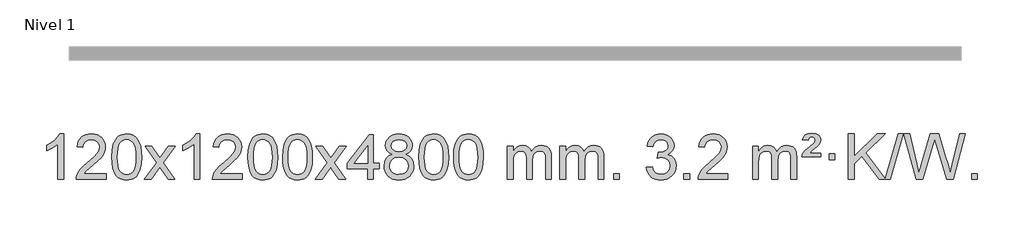
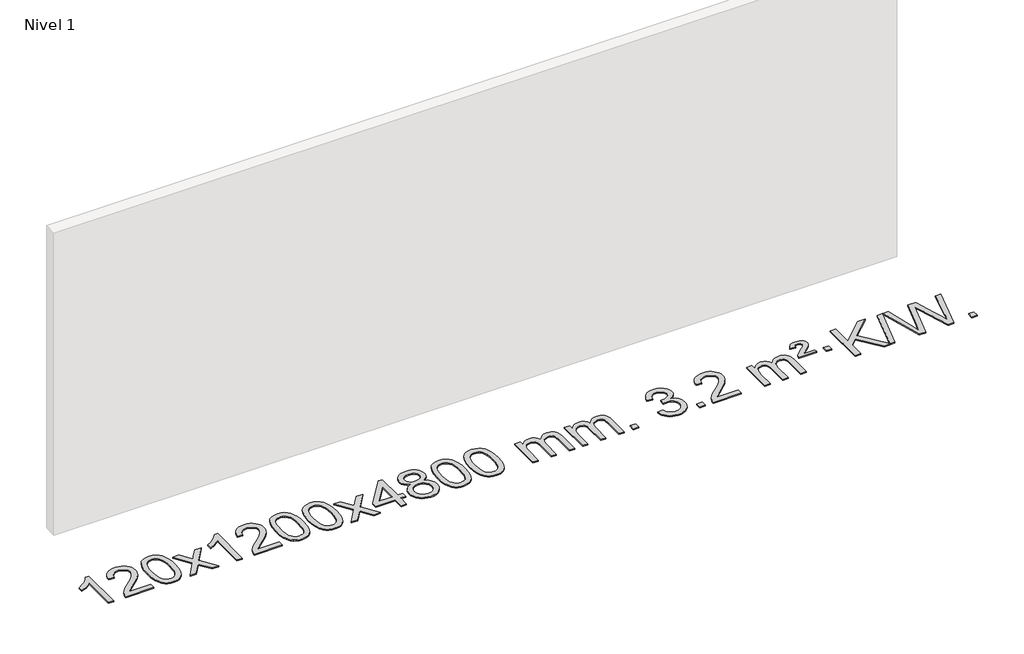
# One storey, part 5 of 8: 1 proxy.
"""IFC4 building model written with IfcOpenShell, lengths in millimetres."""

import ifcopenshell
import ifcopenshell.guid

model = None  # the IFC model being written
_history = None  # IfcOwnerHistory: only IFC2X3 demands one
_inside = {}  # id of a spatial element -> (the spatial element, [elements in it])
_under = {}  # id of a project, library or spatial element -> (it, [spatial elements below it])
_declared = {}  # id of a project -> (the project, [libraries it declares])
_typed = {}  # id of a type object -> (the type object, [elements of that type])
_made_of = {}  # id of a material, layer set ... -> (it, [elements and type objects made of it])


def new_model(schema):
    """Start an empty IFC model of exactly this schema.

    Asked for "IFC4X3", IfcOpenShell would pick the latest addendum, in which some entities
    have other attributes; the version numbers below select the first issue.
    IFC2X3 requires an IfcOwnerHistory on every rooted entity: one is made here for all.
    """
    global model, _history
    if schema == "IFC4X3":
        model = ifcopenshell.file(schema_version=(4, 3, 0, 0))
    else:
        model = ifcopenshell.file(schema=schema)
    _inside.clear()
    _under.clear()
    _declared.clear()
    _typed.clear()
    _made_of.clear()
    _history = None
    if model.schema == "IFC2X3":
        org = make("IfcOrganization", Name="unknown")
        user = make(
            "IfcPersonAndOrganization",
            ThePerson=make("IfcPerson", FamilyName="unknown"),
            TheOrganization=org,
        )
        app = make(
            "IfcApplication",
            ApplicationDeveloper=org,
            Version="unknown",
            ApplicationFullName="unknown",
            ApplicationIdentifier="unknown",
        )
        _history = make(
            "IfcOwnerHistory",
            OwningUser=user,
            OwningApplication=app,
            ChangeAction="ADDED",
            CreationDate=0,
        )
    return model


def make(cls, **values):
    """One entity of the class cls with the attributes given. An attribute that is None is left unset."""
    return model.create_entity(
        cls, **{name: value for name, value in values.items() if value is not None}
    )


def rooted(cls, **values):
    """An entity with a GlobalId (a new one), such as an element, a storey or a relation."""
    return make(cls, GlobalId=ifcopenshell.guid.new(), OwnerHistory=_history, **values)


def si_unit(unit_type, name, prefix=None):
    """IfcSIUnit, for example si_unit("LENGTHUNIT", "METRE", prefix="MILLI")."""
    return make("IfcSIUnit", UnitType=unit_type, Prefix=prefix, Name=name)


def assignment(units):
    """IfcUnitAssignment: the units of a project."""
    return None if units is None else make("IfcUnitAssignment", Units=units)


def point(xyz):
    """IfcCartesianPoint."""
    return None if xyz is None else make("IfcCartesianPoint", Coordinates=xyz)


def direction(xyz):
    """IfcDirection."""
    return None if xyz is None else make("IfcDirection", DirectionRatios=xyz)


def frame(location, z_axis=None, x_axis=None):
    """IfcAxis2Placement3D, a coordinate frame: its origin and axes. An axis left out is left unset."""
    return make(
        "IfcAxis2Placement3D",
        Location=point(location),
        Axis=direction(z_axis),
        RefDirection=direction(x_axis),
    )


def origin():
    """The frame at (0, 0, 0) with its axes left unset."""
    return frame((0.0, 0.0, 0.0))


def origin_with_axes():
    """The frame at (0, 0, 0) with the z axis (0, 0, 1) and the x axis (1, 0, 0) written out."""
    return frame((0.0, 0.0, 0.0), z_axis=(0.0, 0.0, 1.0), x_axis=(1.0, 0.0, 0.0))


def place(relative_to, where):
    """IfcLocalPlacement: puts the frame where relative to a parent placement (None: the world)."""
    return make(
        "IfcLocalPlacement", PlacementRelTo=relative_to, RelativePlacement=where
    )


def context(
    kind, dimensions, precision=None, world=None, true_north=None, identifier=None
):
    """IfcGeometricRepresentationContext, for example the 3D "Model" context."""
    return make(
        "IfcGeometricRepresentationContext",
        ContextIdentifier=identifier,
        ContextType=kind,
        CoordinateSpaceDimension=dimensions,
        Precision=precision,
        WorldCoordinateSystem=world,
        TrueNorth=true_north,
    )


def project(units=None, contexts=None):
    """IfcProject with its units and contexts."""
    return rooted(
        "IfcProject",
        Name="project",
        RepresentationContexts=contexts,
        UnitsInContext=assignment(units),
    )


def spatial(cls, under=None, at=None, **own):
    """A site, building, storey or space (cls), placed at a placement, below another one or the project."""
    s = rooted(cls, ObjectPlacement=at, **own)
    if under is not None:
        _under.setdefault(under.id(), (under, []))[1].append(s)
    return s


def polyline(points):
    """IfcPolyline through the points."""
    return make("IfcPolyline", Points=[point(p) for p in points])


def outline(outer, holes=None, kind="AREA"):
    """IfcArbitraryClosedProfileDef: a profile drawn as a closed curve; with holes, ...WithVoids."""
    if holes is None:
        return make("IfcArbitraryClosedProfileDef", ProfileType=kind, OuterCurve=outer)
    return make(
        "IfcArbitraryProfileDefWithVoids",
        ProfileType=kind,
        OuterCurve=outer,
        InnerCurves=holes,
    )


def extrude(swept, where, along, depth):
    """IfcExtrudedAreaSolid: the profile swept, set in the frame where, extruded along a direction by depth."""
    return make(
        "IfcExtrudedAreaSolid",
        SweptArea=swept,
        Position=where,
        ExtrudedDirection=direction(along),
        Depth=depth,
    )


def shape(context_of_items, identifier, shape_type, items):
    """IfcShapeRepresentation: the items that make up one representation, for example the "Body"."""
    return make(
        "IfcShapeRepresentation",
        ContextOfItems=context_of_items,
        RepresentationIdentifier=identifier,
        RepresentationType=shape_type,
        Items=items,
    )


def made_of(thing, what):
    """Note that an element or type object is made of a material, layer set ...; save() writes the relation."""
    if what is not None:
        _made_of.setdefault(what.id(), (what, []))[1].append(thing)
    return thing


def element(
    cls,
    number,
    at=None,
    inside=None,
    cuts=None,
    type_object=None,
    material=None,
    context=None,
    identifier="Body",
    shape_type=None,
    held_by="IfcProductDefinitionShape",
    body=None,
    shapes=None,
    **own,
):
    """One element of the class cls, such as IfcWall. Its Tag is "e" and its number.

    at: its placement. inside: the storey or other place that contains it. cuts: it is an
    opening in that element (IfcRelVoidsElement). A single representation is given by context,
    identifier, shape_type and body (its items); several are given by shapes. held_by: the class
    of the entity that holds the representations. save() writes the other relations.
    """
    e = rooted(cls, Tag="e%d" % number, ObjectPlacement=at, **own)
    if body is not None:
        shapes = [shape(context, identifier, shape_type, body)]
    if shapes is not None:
        e.Representation = make(held_by, Representations=shapes)
    if inside is not None:
        _inside.setdefault(inside.id(), (inside, []))[1].append(e)
    if cuts is not None:
        rooted(
            "IfcRelVoidsElement", RelatingBuildingElement=cuts, RelatedOpeningElement=e
        )
    if type_object is not None:
        _typed.setdefault(type_object.id(), (type_object, []))[1].append(e)
    return made_of(e, material)


def aggregate(whole, parts):
    """IfcRelAggregates: a whole, such as a stair, and the parts it consists of."""
    return rooted("IfcRelAggregates", RelatingObject=whole, RelatedObjects=parts)


def save(model, path):
    """Write the relations noted so far, then the file.

    IfcRelAggregates (storeys below a building ...), IfcRelContainedInSpatialStructure (elements
    in a storey), IfcRelDefinesByType, IfcRelAssociatesMaterial and IfcRelDeclares: one each for
    every whole, place, type object, material and project.
    """
    for whole, parts in _under.values():
        aggregate(whole, parts)
    for where, things in _inside.values():
        rooted(
            "IfcRelContainedInSpatialStructure",
            RelatedElements=things,
            RelatingStructure=where,
        )
    for kind, things in _typed.values():
        rooted("IfcRelDefinesByType", RelatedObjects=things, RelatingType=kind)
    for what, things in _made_of.values():
        rooted("IfcRelAssociatesMaterial", RelatedObjects=things, RelatingMaterial=what)
    for by, libraries in _declared.values():
        rooted("IfcRelDeclares", RelatingContext=by, RelatedDefinitions=libraries)
    model.write(path)


model = new_model("IFC4")

# Units and contexts
model_context = context("Model", 3, world=origin())
ifc_project = project(units=[si_unit("LENGTHUNIT", "METRE", prefix="MILLI")], contexts=[model_context])

# Site, building, storey
site = spatial("IfcSite", under=ifc_project)
building = spatial("IfcBuilding", under=site)
storey = spatial("IfcBuildingStorey", under=building, Name="Nivel 1", Elevation=0.0)

# Proxy
placement = place(None, origin())
element("IfcBuildingElementProxy", 1, Name="Texto de modelo 1", ObjectType="Texto de modelo 1", at=placement, inside=storey, context=model_context, shape_type="SweptSolid", body=[
    extrude(outline(polyline([(-280.7598841, -12445.579453), (-330.9880392, -12445.579453), (-330.9880392, -12132.4382987), (-351.9573129, -12149.3976587), (-378.5674439, -12166.3324932), (-431.4443494, -12191.6918254), (-431.4443494, -12144.2105225), (-391.9951367, -12122.7507395), (-357.8188994, -12097.219729), (-330.8776746, -12070.0700378), (-313.1334997, -12043.7542124), (-280.7598841, -12043.7542124), (-280.7598841, -12445.579453)])), origin_with_axes(), (0.0, 0.0, 1.0), 10.0),
    extrude(outline(polyline([(95.9512789, -12395.3512979), (95.9512789, -12445.579453), (-167.7465352, -12445.579453), (-166.6428892, -12427.8965918), (-162.3509326, -12410.9494945), (-149.9655721, -12383.8856424), (-131.8412525, -12357.6311307), (-105.623529, -12330.1503456), (-68.9579568, -12299.4076736), (-14.7566761, -12251.2641831), (17.7640922, -12215.7267824), (34.0244764, -12186.884834), (39.4446045, -12158.8277005), (34.3310447, -12133.6768347), (18.9903655, -12112.7688747), (-4.5908703, -12098.6789943), (-34.4261002, -12093.9823675), (-65.7573834, -12098.5686297), (-90.0989088, -12112.3274163), (-105.80747, -12134.1796068), (-111.2398608, -12163.0460807), (-161.4680158, -12156.7675613), (-157.1484681, -12130.838012), (-149.2911218, -12108.1826125), (-137.895977, -12088.8013627), (-122.9630337, -12072.6942627), (-104.8356484, -12060.0329907), (-83.8571776, -12050.989225), (-60.0276213, -12045.5629655), (-33.3469796, -12043.7542124), (-6.4272146, -12045.7653006), (17.5311003, -12051.7985654), (38.5279652, -12061.8540066), (56.56338, -12075.9316242), (71.0487335, -12092.9890861), (81.3954147, -12111.9840598), (87.6034233, -12132.9165453), (89.6727595, -12155.7865427), (87.4409421, -12179.8092369), (80.7454898, -12203.4149983), (68.8629014, -12227.4254299), (51.0696755, -12252.6621347), (22.7059737, -12282.7916701), (-20.8880427, -12321.4805933), (-78.6700414, -12369.795762), (-101.3315723, -12395.3512979), (95.9512789, -12395.3512979)])), origin_with_axes(), (0.0, 0.0, 1.0), 10.0),
    extrude(outline(polyline([(146.179434, -12247.9041943), (149.8705167, -12183.5861588), (160.9437647, -12132.2911459), (179.2888136, -12093.2343407), (191.1468766, -12078.0009605), (204.7952986, -12065.6309284), (220.2800649, -12056.0598651), (237.6471607, -12049.2233914), (278.0283411, -12043.7542124), (308.9794796, -12046.991574), (336.6932566, -12056.7036586), (359.8698223, -12072.5103217), (377.209327, -12094.0314184), (390.305926, -12121.0830078), (400.7537747, -12153.4811488), (407.5963798, -12194.6226186), (409.8772482, -12247.9041943), (406.2229537, -12311.8543477), (395.2600702, -12363.0267333), (377.025386, -12402.1203266), (365.1949142, -12417.3996922), (351.5556892, -12429.8341036), (336.0525288, -12439.4695462), (318.6302506, -12446.3520052), (278.0283411, -12451.8579724), (250.363615, -12449.4667394), (225.8381487, -12442.2930405), (204.451942, -12430.3368757), (186.2049951, -12413.5982449), (168.6938121, -12383.3399508), (156.1858243, -12345.6381776), (148.6810316, -12300.4929255), (146.179434, -12247.9041943)]), holes=[polyline([(196.4075891, -12247.8060924), (197.8791171, -12291.4706195), (202.293701, -12326.8148822), (209.6513409, -12353.8388804), (219.9520368, -12372.5426142), (232.4109737, -12385.2682656), (246.2433367, -12394.3580165), (261.4491258, -12399.8118671), (278.0283411, -12401.6298173), (294.6075563, -12399.8057357), (309.8133455, -12394.3334911), (323.6457085, -12385.2130833), (336.1046454, -12372.4445124), (346.4053412, -12353.7101217), (353.7629812, -12326.6922549), (358.1775651, -12291.3909118), (359.6490931, -12247.8060924), (358.226616, -12205.2973278), (353.9591849, -12170.5753989), (346.8467996, -12143.6403055), (336.8894603, -12124.4920476), (324.6389899, -12111.1440625), (310.6472113, -12101.6097875), (294.9141247, -12095.8892225), (277.4397299, -12093.9823675), (260.9463538, -12095.6623619), (245.998082, -12100.7023452), (232.5949147, -12109.1023175), (220.7368517, -12120.8622786), (210.0927993, -12141.708925), (202.4899047, -12169.8151094), (197.928168, -12205.1808319), (196.4075891, -12247.8060924)])]), origin_with_axes(), (0.0, 0.0, 1.0), 10.0),
    extrude(outline(polyline([(434.9913257, -12445.579453), (542.3147664, -12297.2494325), (441.2698451, -12150.4890419), (501.7005941, -12150.4890419), (550.4572212, -12221.122385), (573.216854, -12254.4770192), (592.935329, -12227.2047007), (648.4609848, -12150.4890419), (708.8917338, -12150.4890419), (602.7455155, -12297.2494325), (704.9676592, -12445.579453), (644.5369101, -12445.579453), (583.0270405, -12356.4048574), (571.745326, -12340.1199477), (495.4220748, -12445.579453), (434.9913257, -12445.579453)])), origin_with_axes(), (0.0, 0.0, 1.0), 10.0),
    extrude(outline(polyline([(924.7158377, -12445.579453), (874.4876826, -12445.579453), (874.4876826, -12132.4382987), (853.5184089, -12149.3976587), (826.9082779, -12166.3324932), (774.0313724, -12191.6918254), (774.0313724, -12144.2105225), (813.4805851, -12122.7507395), (847.6568224, -12097.219729), (874.5980472, -12070.0700378), (892.3422221, -12043.7542124), (924.7158377, -12043.7542124), (924.7158377, -12445.579453)])), origin_with_axes(), (0.0, 0.0, 1.0), 10.0),
    extrude(outline(polyline([(1301.4270007, -12395.3512979), (1301.4270007, -12445.579453), (1037.7291866, -12445.579453), (1038.8328326, -12427.8965918), (1043.1247892, -12410.9494945), (1055.5101497, -12383.8856424), (1073.6344693, -12357.6311307), (1099.8521928, -12330.1503456), (1136.517765, -12299.4076736), (1190.7190456, -12251.2641831), (1223.239814, -12215.7267824), (1239.5001982, -12186.884834), (1244.9203263, -12158.8277005), (1239.8067665, -12133.6768347), (1224.4660873, -12112.7688747), (1200.8848514, -12098.6789943), (1171.0496216, -12093.9823675), (1139.7183384, -12098.5686297), (1115.376813, -12112.3274163), (1099.6682518, -12134.1796068), (1094.235861, -12163.0460807), (1044.007706, -12156.7675613), (1048.3272537, -12130.838012), (1056.1846, -12108.1826125), (1067.5797448, -12088.8013627), (1082.5126881, -12072.6942627), (1100.6400734, -12060.0329907), (1121.6185442, -12050.989225), (1145.4481005, -12045.5629655), (1172.1287422, -12043.7542124), (1199.0485072, -12045.7653006), (1223.0068221, -12051.7985654), (1244.003687, -12061.8540066), (1262.0391018, -12075.9316242), (1276.5244553, -12092.9890861), (1286.8711365, -12111.9840598), (1293.0791451, -12132.9165453), (1295.1484813, -12155.7865427), (1292.9166639, -12179.8092369), (1286.2212116, -12203.4149983), (1274.3386231, -12227.4254299), (1256.5453973, -12252.6621347), (1228.1816955, -12282.7916701), (1184.5876791, -12321.4805933), (1126.8056804, -12369.795762), (1104.1441494, -12395.3512979), (1301.4270007, -12395.3512979)])), origin_with_axes(), (0.0, 0.0, 1.0), 10.0),
    extrude(outline(polyline([(1351.6551558, -12247.9041943), (1355.3462385, -12183.5861588), (1366.4194865, -12132.2911459), (1384.7645354, -12093.2343407), (1396.6225983, -12078.0009605), (1410.2710204, -12065.6309284), (1425.7557867, -12056.0598651), (1443.1228825, -12049.2233914), (1483.5040629, -12043.7542124), (1514.4552014, -12046.991574), (1542.1689784, -12056.7036586), (1565.3455441, -12072.5103217), (1582.6850488, -12094.0314184), (1595.7816478, -12121.0830078), (1606.2294965, -12153.4811488), (1613.0721016, -12194.6226186), (1615.3529699, -12247.9041943), (1611.6986755, -12311.8543477), (1600.735792, -12363.0267333), (1582.5011078, -12402.1203266), (1570.6706359, -12417.3996922), (1557.031411, -12429.8341036), (1541.5282506, -12439.4695462), (1524.1059724, -12446.3520052), (1483.5040629, -12451.8579724), (1455.8393368, -12449.4667394), (1431.3138705, -12442.2930405), (1409.9276638, -12430.3368757), (1391.6807169, -12413.5982449), (1374.1695339, -12383.3399508), (1361.6615461, -12345.6381776), (1354.1567534, -12300.4929255), (1351.6551558, -12247.9041943)]), holes=[polyline([(1401.8833109, -12247.8060924), (1403.3548389, -12291.4706195), (1407.7694228, -12326.8148822), (1415.1270627, -12353.8388804), (1425.4277586, -12372.5426142), (1437.8866955, -12385.2682656), (1451.7190585, -12394.3580165), (1466.9248476, -12399.8118671), (1483.5040629, -12401.6298173), (1500.0832781, -12399.8057357), (1515.2890673, -12394.3334911), (1529.1214303, -12385.2130833), (1541.5803672, -12372.4445124), (1551.881063, -12353.7101217), (1559.2387029, -12326.6922549), (1563.6532869, -12291.3909118), (1565.1248149, -12247.8060924), (1563.7023378, -12205.2973278), (1559.4349067, -12170.5753989), (1552.3225214, -12143.6403055), (1542.3651821, -12124.4920476), (1530.1147117, -12111.1440625), (1516.1229331, -12101.6097875), (1500.3898465, -12095.8892225), (1482.9154517, -12093.9823675), (1466.4220756, -12095.6623619), (1451.4738038, -12100.7023452), (1438.0706365, -12109.1023175), (1426.2125735, -12120.8622786), (1415.5685211, -12141.708925), (1407.9656265, -12169.8151094), (1403.4038898, -12205.1808319), (1401.8833109, -12247.8060924)])]), origin_with_axes(), (0.0, 0.0, 1.0), 10.0),
    extrude(outline(polyline([(1659.3026056, -12247.9041943), (1662.9936883, -12183.5861588), (1674.0669364, -12132.2911459), (1692.4119852, -12093.2343407), (1704.2700482, -12078.0009605), (1717.9184702, -12065.6309284), (1733.4032365, -12056.0598651), (1750.7703324, -12049.2233914), (1791.1515127, -12043.7542124), (1822.1026512, -12046.991574), (1849.8164282, -12056.7036586), (1872.9929939, -12072.5103217), (1890.3324986, -12094.0314184), (1903.4290976, -12121.0830078), (1913.8769463, -12153.4811488), (1920.7195514, -12194.6226186), (1923.0004198, -12247.9041943), (1919.3461253, -12311.8543477), (1908.3832418, -12363.0267333), (1890.1485576, -12402.1203266), (1878.3180858, -12417.3996922), (1864.6788608, -12429.8341036), (1849.1757004, -12439.4695462), (1831.7534222, -12446.3520052), (1791.1515127, -12451.8579724), (1763.4867867, -12449.4667394), (1738.9613203, -12442.2930405), (1717.5751137, -12430.3368757), (1699.3281667, -12413.5982449), (1681.8169837, -12383.3399508), (1669.3089959, -12345.6381776), (1661.8042032, -12300.4929255), (1659.3026056, -12247.9041943)]), holes=[polyline([(1709.5307607, -12247.8060924), (1711.0022887, -12291.4706195), (1715.4168726, -12326.8148822), (1722.7745125, -12353.8388804), (1733.0752084, -12372.5426142), (1745.5341453, -12385.2682656), (1759.3665083, -12394.3580165), (1774.5722975, -12399.8118671), (1791.1515127, -12401.6298173), (1807.730728, -12399.8057357), (1822.9365171, -12394.3334911), (1836.7688801, -12385.2130833), (1849.227817, -12372.4445124), (1859.5285129, -12353.7101217), (1866.8861528, -12326.6922549), (1871.3007367, -12291.3909118), (1872.7722647, -12247.8060924), (1871.3497877, -12205.2973278), (1867.0823565, -12170.5753989), (1859.9699713, -12143.6403055), (1850.0126319, -12124.4920476), (1837.7621615, -12111.1440625), (1823.7703829, -12101.6097875), (1808.0372963, -12095.8892225), (1790.5629015, -12093.9823675), (1774.0695254, -12095.6623619), (1759.1212537, -12100.7023452), (1745.7180863, -12109.1023175), (1733.8600233, -12120.8622786), (1723.2159709, -12141.708925), (1715.6130764, -12169.8151094), (1711.0513396, -12205.1808319), (1709.5307607, -12247.8060924)])]), origin_with_axes(), (0.0, 0.0, 1.0), 10.0),
    extrude(outline(polyline([(1948.1144973, -12445.579453), (2055.437938, -12297.2494325), (1954.3930167, -12150.4890419), (2014.8237658, -12150.4890419), (2063.5803929, -12221.122385), (2086.3400256, -12254.4770192), (2106.0585006, -12227.2047007), (2161.5841564, -12150.4890419), (2222.0149055, -12150.4890419), (2115.8686871, -12297.2494325), (2218.0908308, -12445.579453), (2157.6600818, -12445.579453), (2096.1502122, -12356.4048574), (2084.8684977, -12340.1199477), (2008.5452464, -12445.579453), (1948.1144973, -12445.579453)])), origin_with_axes(), (0.0, 0.0, 1.0), 10.0),
    extrude(outline(polyline([(2412.7249318, -12445.579453), (2412.7249318, -12351.4016622), (2230.6478696, -12351.4016622), (2230.6478696, -12301.1735072), (2425.2819705, -12050.0327318), (2462.9530868, -12050.0327318), (2462.9530868, -12301.1735072), (2513.1812419, -12301.1735072), (2513.1812419, -12351.4016622), (2462.9530868, -12351.4016622), (2462.9530868, -12445.579453), (2412.7249318, -12445.579453)]), holes=[polyline([(2412.7249318, -12301.1735072), (2412.7249318, -12145.9763561), (2292.4520448, -12301.1735072), (2412.7249318, -12301.1735072)])]), origin_with_axes(), (0.0, 0.0, 1.0), 10.0),
    extrude(outline(polyline([(2630.3148692, -12224.2616447), (2603.4226953, -12211.0178929), (2584.550349, -12193.0652515), (2573.4035245, -12170.7716026), (2569.6879164, -12144.5048281), (2571.7112673, -12124.0199324), (2577.7813203, -12105.2395565), (2587.8980751, -12088.1637006), (2602.0615319, -12072.7923645), (2619.591109, -12060.088173), (2639.8062246, -12051.0137504), (2662.7068788, -12045.5690969), (2688.2930716, -12043.7542124), (2714.0018917, -12045.6120165), (2737.0742242, -12051.1854287), (2757.510069, -12060.4744491), (2775.3094262, -12073.4790776), (2789.7304004, -12089.1508506), (2800.0310963, -12106.4413044), (2806.2115138, -12125.3504389), (2808.271653, -12145.8782543), (2804.6050958, -12171.2989001), (2793.6054241, -12193.2124043), (2775.1500107, -12211.0546811), (2749.1162281, -12224.2616447), (2780.0305785, -12240.1909351), (2802.5326938, -12263.6495436), (2816.2546923, -12293.5092989), (2820.8286917, -12328.6420295), (2818.5600861, -12353.6947933), (2811.7542692, -12376.6628926), (2800.411241, -12397.5463272), (2784.5310015, -12416.3450971), (2764.9474167, -12431.88198), (2742.4943522, -12442.9797536), (2717.1718082, -12449.6384177), (2688.9797847, -12451.8579724), (2660.7877611, -12449.6292206), (2635.4652171, -12442.9429654), (2613.0121527, -12431.7992066), (2593.4285678, -12416.1979443), (2577.5483283, -12397.26735), (2566.2053001, -12376.135595), (2559.3994832, -12352.8026795), (2557.1308776, -12327.2686033), (2561.8888181, -12290.7747094), (2576.1626395, -12260.7555386), (2599.2165778, -12238.2411605), (2630.3148692, -12224.2616447)]), holes=[polyline([(2607.3590327, -12325.5027698), (2609.45596, -12344.7184726), (2615.7467422, -12363.3210389), (2627.3595505, -12379.5446349), (2645.4225564, -12391.623427), (2667.0540178, -12399.1282197), (2689.3721921, -12401.6298173), (2723.5606922, -12396.3691048), (2737.4543689, -12389.7932141), (2749.21433, -12380.5869672), (2765.253985, -12356.6869002), (2770.6005367, -12327.0723996), (2765.0823067, -12296.9551269), (2748.527617, -12272.5277625), (2736.4488248, -12263.0854579), (2722.285368, -12256.3409547), (2687.7044604, -12250.9453521), (2653.9942069, -12256.2673783), (2640.2568801, -12262.919911), (2628.5980865, -12272.2334569), (2612.6687961, -12296.1948375), (2607.3590327, -12325.5027698)]), polyline([(2619.9160714, -12145.9763561), (2624.3674436, -12167.902123), (2637.72156, -12185.413306), (2659.5860133, -12196.8912243), (2689.5683959, -12200.717197), (2718.8518027, -12196.9157497), (2740.3851621, -12185.5114079), (2753.628914, -12168.5888361), (2758.0434979, -12148.232699), (2753.4817612, -12127.1040098), (2739.7965509, -12109.629615), (2717.9688859, -12097.8941794), (2688.9797847, -12093.9823675), (2659.8067425, -12097.8083402), (2638.0158656, -12109.2862585), (2624.44102, -12126.1107284), (2619.9160714, -12145.9763561)])]), origin_with_axes(), (0.0, 0.0, 1.0), 10.0),
    extrude(outline(polyline([(2864.7783274, -12247.9041943), (2868.4694101, -12183.5861588), (2879.5426582, -12132.2911459), (2897.887707, -12093.2343407), (2909.74577, -12078.0009605), (2923.394192, -12065.6309284), (2938.8789583, -12056.0598651), (2956.2460542, -12049.2233914), (2996.6272345, -12043.7542124), (3027.578373, -12046.991574), (3055.29215, -12056.7036586), (3078.4687157, -12072.5103217), (3095.8082204, -12094.0314184), (3108.9048194, -12121.0830078), (3119.3526681, -12153.4811488), (3126.1952732, -12194.6226186), (3128.4761416, -12247.9041943), (3124.8218471, -12311.8543477), (3113.8589636, -12363.0267333), (3095.6242794, -12402.1203266), (3083.7938076, -12417.3996922), (3070.1545826, -12429.8341036), (3054.6514222, -12439.4695462), (3037.229144, -12446.3520052), (2996.6272345, -12451.8579724), (2968.9625085, -12449.4667394), (2944.4370421, -12442.2930405), (2923.0508355, -12430.3368757), (2904.8038885, -12413.5982449), (2887.2927055, -12383.3399508), (2874.7847177, -12345.6381776), (2867.279925, -12300.4929255), (2864.7783274, -12247.9041943)]), holes=[polyline([(2915.0064825, -12247.8060924), (2916.4780105, -12291.4706195), (2920.8925944, -12326.8148822), (2928.2502343, -12353.8388804), (2938.5509302, -12372.5426142), (2951.0098671, -12385.2682656), (2964.8422301, -12394.3580165), (2980.0480193, -12399.8118671), (2996.6272345, -12401.6298173), (3013.2064498, -12399.8057357), (3028.4122389, -12394.3334911), (3042.2446019, -12385.2130833), (3054.7035388, -12372.4445124), (3065.0042347, -12353.7101217), (3072.3618746, -12326.6922549), (3076.7764585, -12291.3909118), (3078.2479865, -12247.8060924), (3076.8255095, -12205.2973278), (3072.5580783, -12170.5753989), (3065.4456931, -12143.6403055), (3055.4883537, -12124.4920476), (3043.2378833, -12111.1440625), (3029.2461047, -12101.6097875), (3013.5130181, -12095.8892225), (2996.0386233, -12093.9823675), (2979.5452472, -12095.6623619), (2964.5969755, -12100.7023452), (2951.1938081, -12109.1023175), (2939.3357451, -12120.8622786), (2928.6916927, -12141.708925), (2921.0887982, -12169.8151094), (2916.5270614, -12205.1808319), (2915.0064825, -12247.8060924)])]), origin_with_axes(), (0.0, 0.0, 1.0), 10.0),
    extrude(outline(polyline([(3172.4257773, -12247.9041943), (3176.1168599, -12183.5861588), (3187.190108, -12132.2911459), (3205.5351568, -12093.2343407), (3217.3932198, -12078.0009605), (3231.0416418, -12065.6309284), (3246.5264081, -12056.0598651), (3263.893504, -12049.2233914), (3304.2746843, -12043.7542124), (3335.2258229, -12046.991574), (3362.9395998, -12056.7036586), (3386.1161655, -12072.5103217), (3403.4556702, -12094.0314184), (3416.5522693, -12121.0830078), (3427.0001179, -12153.4811488), (3433.842723, -12194.6226186), (3436.1235914, -12247.9041943), (3432.4692969, -12311.8543477), (3421.5064135, -12363.0267333), (3403.2717292, -12402.1203266), (3391.4412574, -12417.3996922), (3377.8020324, -12429.8341036), (3362.298872, -12439.4695462), (3344.8765939, -12446.3520052), (3304.2746843, -12451.8579724), (3276.6099583, -12449.4667394), (3252.084492, -12442.2930405), (3230.6982853, -12430.3368757), (3212.4513383, -12413.5982449), (3194.9401554, -12383.3399508), (3182.4321675, -12345.6381776), (3174.9273748, -12300.4929255), (3172.4257773, -12247.9041943)]), holes=[polyline([(3222.6539323, -12247.8060924), (3224.1254603, -12291.4706195), (3228.5400443, -12326.8148822), (3235.8976842, -12353.8388804), (3246.19838, -12372.5426142), (3258.6573169, -12385.2682656), (3272.48968, -12394.3580165), (3287.6954691, -12399.8118671), (3304.2746843, -12401.6298173), (3320.8538996, -12399.8057357), (3336.0596887, -12394.3334911), (3349.8920517, -12385.2130833), (3362.3509886, -12372.4445124), (3372.6516845, -12353.7101217), (3380.0093244, -12326.6922549), (3384.4239084, -12291.3909118), (3385.8954363, -12247.8060924), (3384.4729593, -12205.2973278), (3380.2055281, -12170.5753989), (3373.0931429, -12143.6403055), (3363.1358036, -12124.4920476), (3350.8853331, -12111.1440625), (3336.8935546, -12101.6097875), (3321.1604679, -12095.8892225), (3303.6860731, -12093.9823675), (3287.192697, -12095.6623619), (3272.2444253, -12100.7023452), (3258.8412579, -12109.1023175), (3246.983195, -12120.8622786), (3236.3391426, -12141.708925), (3228.736248, -12169.8151094), (3224.1745113, -12205.1808319), (3222.6539323, -12247.8060924)])]), origin_with_axes(), (0.0, 0.0, 1.0), 10.0),
    extrude(outline(polyline([(3649.5932505, -12445.579453), (3649.5932505, -12150.4890419), (3699.8214055, -12150.4890419), (3699.8214055, -12199.0494653), (3714.9290928, -12176.7435537), (3734.3532622, -12159.2691589), (3757.431726, -12147.9751816), (3783.5022967, -12144.2105225), (3811.4368029, -12148.048758), (3833.8285537, -12159.5634645), (3850.5549217, -12177.9943524), (3861.4932797, -12202.5811324), (3879.8015403, -12177.0439906), (3900.6849749, -12158.803175), (3924.1435835, -12147.8586857), (3950.177366, -12144.2105225), (3970.2851827, -12145.7280358), (3987.9343214, -12150.2805755), (4003.1247822, -12157.8681416), (4015.8565649, -12168.4907342), (4025.9212031, -12182.2709806), (4033.1102304, -12199.3315082), (4037.4236468, -12219.6723168), (4038.8614523, -12243.2934066), (4038.8614523, -12445.579453), (3988.6332972, -12445.579453), (3988.6332972, -12264.875817), (3987.4683376, -12239.8230531), (3983.9734586, -12222.9372695), (3977.4251591, -12211.3735121), (3967.0999378, -12202.2868268), (3953.8193978, -12196.4007149), (3938.4051422, -12194.4386776), (3911.1941372, -12199.4663982), (3889.0108529, -12214.54956), (3880.4054799, -12226.1194488), (3874.2587849, -12240.7182326), (3869.3414289, -12279.0024856), (3869.3414289, -12445.579453), (3819.1132739, -12445.579453), (3819.1132739, -12259.2840106), (3816.2070061, -12230.8835206), (3807.4882028, -12210.6254854), (3792.1475236, -12198.4853796), (3769.3756281, -12194.4386776), (3750.0250352, -12197.1364789), (3732.1950211, -12205.2298828), (3717.4797413, -12218.5226856), (3707.473351, -12236.8186835), (3701.7343919, -12262.2025411), (3699.8214055, -12296.7589232), (3699.8214055, -12445.579453), (3649.5932505, -12445.579453)])), origin_with_axes(), (0.0, 0.0, 1.0), 10.0),
    extrude(outline(polyline([(4114.2036849, -12445.579453), (4114.2036849, -12150.4890419), (4164.43184, -12150.4890419), (4164.43184, -12199.0494653), (4179.5395273, -12176.7435537), (4198.9636966, -12159.2691589), (4222.0421604, -12147.9751816), (4248.1127312, -12144.2105225), (4276.0472373, -12148.048758), (4298.4389881, -12159.5634645), (4315.1653561, -12177.9943524), (4326.1037141, -12202.5811324), (4344.4119748, -12177.0439906), (4365.2954094, -12158.803175), (4388.7540179, -12147.8586857), (4414.7878004, -12144.2105225), (4434.8956172, -12145.7280358), (4452.5447559, -12150.2805755), (4467.7352166, -12157.8681416), (4480.4669993, -12168.4907342), (4490.5316376, -12182.2709806), (4497.7206649, -12199.3315082), (4502.0340813, -12219.6723168), (4503.4718867, -12243.2934066), (4503.4718867, -12445.579453), (4453.2437317, -12445.579453), (4453.2437317, -12264.875817), (4452.078772, -12239.8230531), (4448.5838931, -12222.9372695), (4442.0355936, -12211.3735121), (4431.7103722, -12202.2868268), (4418.4298322, -12196.4007149), (4403.0155766, -12194.4386776), (4375.8045717, -12199.4663982), (4353.6212874, -12214.54956), (4345.0159144, -12226.1194488), (4338.8692194, -12240.7182326), (4333.9518634, -12279.0024856), (4333.9518634, -12445.579453), (4283.7237083, -12445.579453), (4283.7237083, -12259.2840106), (4280.8174405, -12230.8835206), (4272.0986372, -12210.6254854), (4256.757958, -12198.4853796), (4233.9860625, -12194.4386776), (4214.6354696, -12197.1364789), (4196.8054556, -12205.2298828), (4182.0901758, -12218.5226856), (4172.0837855, -12236.8186835), (4166.3448264, -12262.2025411), (4164.43184, -12296.7589232), (4164.43184, -12445.579453), (4114.2036849, -12445.579453)])), origin_with_axes(), (0.0, 0.0, 1.0), 10.0),
    extrude(outline(polyline([(4591.3711581, -12445.579453), (4591.3711581, -12395.3512979), (4641.5993132, -12395.3512979), (4641.5993132, -12445.579453), (4591.3711581, -12445.579453)])), origin_with_axes(), (0.0, 0.0, 1.0), 10.0),
    extrude(outline(polyline([(4880.1830498, -12338.8446235), (4930.4112049, -12332.5661041), (4941.6561312, -12364.1303793), (4958.1249819, -12385.4430095), (4980.6270972, -12397.5831154), (5009.9718177, -12401.6298173), (5044.4055725, -12396.0625364), (5058.6793939, -12389.1034354), (5070.991178, -12379.3606939), (5087.9873261, -12354.4428201), (5093.6527089, -12324.2274455), (5088.0363771, -12295.5449126), (5071.1873817, -12272.2825078), (5045.6808967, -12256.8682522), (5014.0920961, -12251.730167), (4978.8735264, -12257.2238715), (4984.4653327, -12206.9957164), (4992.5096857, -12207.5843276), (5022.6024329, -12203.979084), (5049.5068695, -12193.1633534), (5060.5801175, -12184.9841103), (5068.4895804, -12174.8673555), (5073.2352581, -12162.8130888), (5074.8171507, -12148.8213102), (5070.2308885, -12127.1285352), (5056.4721019, -12109.5315131), (5035.4783027, -12097.8696539), (5009.1870028, -12093.9823675), (4982.8466519, -12097.9064421), (4961.3132925, -12109.6786659), (4945.5924686, -12129.299039), (4936.6897243, -12156.7675613), (4886.4615692, -12150.4890419), (4892.4151261, -12126.5092672), (4901.2504254, -12105.3867093), (4912.9674669, -12087.1213683), (4927.5662508, -12071.713244), (4944.5869244, -12059.4811677), (4963.5696354, -12050.7439703), (4984.5143836, -12045.5016519), (5007.4211692, -12043.7542124), (5038.9977071, -12047.2000404), (5067.9990711, -12057.5375245), (5092.450961, -12073.8469596), (5110.3790769, -12095.2086408), (5121.3787486, -12119.8199463), (5125.0453058, -12145.8782543), (5121.5626896, -12170.1584659), (5111.1148409, -12192.1823347), (5093.8489126, -12210.9443165), (5069.9120575, -12225.4388671), (5101.3537053, -12238.1430586), (5124.6528983, -12259.77452), (5139.0738725, -12289.1560286), (5143.880864, -12325.1103623), (5141.4773682, -12350.5923218), (5134.2668811, -12374.0631931), (5122.2494026, -12395.5229762), (5105.4249327, -12414.971671), (5084.9277742, -12431.1094278), (5061.89223, -12442.636397), (5036.3182999, -12449.5525785), (5008.2059841, -12451.8579724), (4982.797601, -12449.8898037), (4959.6455608, -12443.9852977), (4938.7498634, -12434.1444543), (4920.110509, -12420.3672736), (4904.4816556, -12403.4630959), (4892.6174612, -12384.2412617), (4884.517926, -12362.7017708), (4880.1830498, -12338.8446235)])), origin_with_axes(), (0.0, 0.0, 1.0), 10.0),
    extrude(outline(polyline([(5212.9445772, -12445.579453), (5212.9445772, -12395.3512979), (5263.1727323, -12395.3512979), (5263.1727323, -12445.579453), (5212.9445772, -12445.579453)])), origin_with_axes(), (0.0, 0.0, 1.0), 10.0),
    extrude(outline(polyline([(5602.212779, -12395.3512979), (5602.212779, -12445.579453), (5338.5149649, -12445.579453), (5339.6186109, -12427.8965918), (5343.9105675, -12410.9494945), (5356.295928, -12383.8856424), (5374.4202476, -12357.6311307), (5400.6379711, -12330.1503456), (5437.3035433, -12299.4076736), (5491.5048239, -12251.2641831), (5524.0255923, -12215.7267824), (5540.2859765, -12186.884834), (5545.7061045, -12158.8277005), (5540.5925448, -12133.6768347), (5525.2518656, -12112.7688747), (5501.6706297, -12098.6789943), (5471.8353999, -12093.9823675), (5440.5041167, -12098.5686297), (5416.1625913, -12112.3274163), (5400.4540301, -12134.1796068), (5395.0216393, -12163.0460807), (5344.7934842, -12156.7675613), (5349.113032, -12130.838012), (5356.9703783, -12108.1826125), (5368.3655231, -12088.8013627), (5383.2984664, -12072.6942627), (5401.4258517, -12060.0329907), (5422.4043225, -12050.989225), (5446.2338787, -12045.5629655), (5472.9145204, -12043.7542124), (5499.8342854, -12045.7653006), (5523.7926004, -12051.7985654), (5544.7894652, -12061.8540066), (5562.8248801, -12075.9316242), (5577.3102336, -12092.9890861), (5587.6569147, -12111.9840598), (5593.8649234, -12132.9165453), (5595.9342596, -12155.7865427), (5593.7024422, -12179.8092369), (5587.0069899, -12203.4149983), (5575.1244014, -12227.4254299), (5557.3311756, -12252.6621347), (5528.9674738, -12282.7916701), (5485.3734573, -12321.4805933), (5427.5914586, -12369.795762), (5404.9299277, -12395.3512979), (5602.212779, -12395.3512979)])), origin_with_axes(), (0.0, 0.0, 1.0), 10.0),
    extrude(outline(polyline([(5821.9609575, -12445.579453), (5821.9609575, -12150.4890419), (5872.1891125, -12150.4890419), (5872.1891125, -12199.0494653), (5887.2967998, -12176.7435537), (5906.7209691, -12159.2691589), (5929.799433, -12147.9751816), (5955.8700037, -12144.2105225), (5983.8045099, -12148.048758), (6006.1962606, -12159.5634645), (6022.9226287, -12177.9943524), (6033.8609867, -12202.5811324), (6052.1692473, -12177.0439906), (6073.0526819, -12158.803175), (6096.5112905, -12147.8586857), (6122.545073, -12144.2105225), (6142.6528897, -12145.7280358), (6160.3020284, -12150.2805755), (6175.4924891, -12157.8681416), (6188.2242719, -12168.4907342), (6198.2889101, -12182.2709806), (6205.4779374, -12199.3315082), (6209.7913538, -12219.6723168), (6211.2291593, -12243.2934066), (6211.2291593, -12445.579453), (6161.0010042, -12445.579453), (6161.0010042, -12264.875817), (6159.8360446, -12239.8230531), (6156.3411656, -12222.9372695), (6149.7928661, -12211.3735121), (6139.4676448, -12202.2868268), (6126.1871047, -12196.4007149), (6110.7728491, -12194.4386776), (6083.5618442, -12199.4663982), (6061.3785599, -12214.54956), (6052.7731869, -12226.1194488), (6046.6264919, -12240.7182326), (6041.7091359, -12279.0024856), (6041.7091359, -12445.579453), (5991.4809808, -12445.579453), (5991.4809808, -12259.2840106), (5988.5747131, -12230.8835206), (5979.8559098, -12210.6254854), (5964.5152306, -12198.4853796), (5941.7433351, -12194.4386776), (5922.3927421, -12197.1364789), (5904.5627281, -12205.2298828), (5889.8474483, -12218.5226856), (5879.841058, -12236.8186835), (5874.1020989, -12262.2025411), (5872.1891125, -12296.7589232), (5872.1891125, -12445.579453), (5821.9609575, -12445.579453)])), origin_with_axes(), (0.0, 0.0, 1.0), 10.0),
    extrude(outline(polyline([(6255.178795, -12244.6668327), (6259.0047677, -12228.8479069), (6267.3434263, -12212.9799302), (6288.8522603, -12187.8413272), (6320.8089429, -12160.1030247), (6364.9547823, -12122.726214), (6372.091693, -12111.1992448), (6374.4706633, -12099.3779701), (6372.5822024, -12087.2869152), (6366.9168196, -12077.5012541), (6357.5480915, -12071.026531), (6344.5495943, -12068.8682899), (6332.1151829, -12070.4869707), (6323.2614896, -12075.343013), (6316.8358174, -12084.8098431), (6311.6854694, -12100.2608869), (6261.4573144, -12093.9823675), (6272.2975705, -12068.7701881), (6288.9258367, -12051.2099542), (6312.6910136, -12040.9092583), (6344.9420018, -12037.475693), (6380.7246572, -12041.6082341), (6405.4708527, -12054.0058573), (6419.891827, -12072.3386434), (6424.6988184, -12094.2766731), (6420.6030655, -12117.1834586), (6408.3158068, -12138.8149199), (6387.7879915, -12158.6314968), (6351.3186231, -12186.6886303), (6325.7140362, -12213.2742358), (6424.6988184, -12213.2742358), (6424.6988184, -12244.6668327), (6255.178795, -12244.6668327)])), origin_with_axes(), (0.0, 0.0, 1.0), 10.0),
    extrude(outline(polyline([(6500.041051, -12269.7809102), (6500.041051, -12219.5527552), (6550.269206, -12219.5527552), (6550.269206, -12269.7809102), (6500.041051, -12269.7809102)])), origin_with_axes(), (0.0, 0.0, 1.0), 10.0),
    extrude(outline(polyline([(6940.910834, -12445.579453), (6787.4795165, -12242.9009991), (6719.7892294, -12307.4520265), (6719.7892294, -12445.579453), (6669.5610743, -12445.579453), (6669.5610743, -12043.7542124), (6719.7892294, -12043.7542124), (6719.7892294, -12240.4484525), (6925.8031467, -12043.7542124), (6996.0440823, -12043.7542124), (6823.0904937, -12208.9577537), (6997.7441035, -12439.5349332), (7109.0574313, -12043.7542124), (7154.3804931, -12043.7542124), (7041.3671441, -12445.579453), (7002.3226017, -12445.579453), (6996.0440823, -12445.579453), (6940.910834, -12445.579453)])), origin_with_axes(), (0.0, 0.0, 1.0), 10.0),
    extrude(outline(polyline([(7268.86537, -12445.579453), (7159.2855863, -12043.7542124), (7211.0833712, -12043.7542124), (7274.65338, -12307.844434), (7294.2737531, -12389.3670841), (7315.2675523, -12317.2622131), (7394.926267, -12043.7542124), (7469.5817865, -12043.7542124), (7527.4618871, -12242.0180823), (7552.2571336, -12315.5944814), (7570.528606, -12389.3670841), (7589.5603679, -12310.1988788), (7653.7189878, -12043.7542124), (7705.5167728, -12043.7542124), (7595.8388873, -12445.579453), (7542.1771669, -12445.579453), (7445.8411351, -12135.5775584), (7432.4011795, -12092.3146358), (7417.2934923, -12144.4067263), (7329.4923228, -12445.579453), (7268.86537, -12445.579453)])), origin_with_axes(), (0.0, 0.0, 1.0), 10.0),
    extrude(outline(polyline([(7762.0234472, -12445.579453), (7762.0234472, -12395.3512979), (7812.2516023, -12395.3512979), (7812.2516023, -12445.579453), (7762.0234472, -12445.579453)])), origin_with_axes(), (0.0, 0.0, 1.0), 10.0),
])

save(model, "model.ifc")
